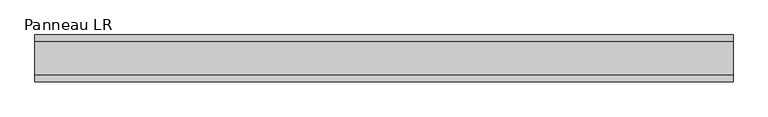
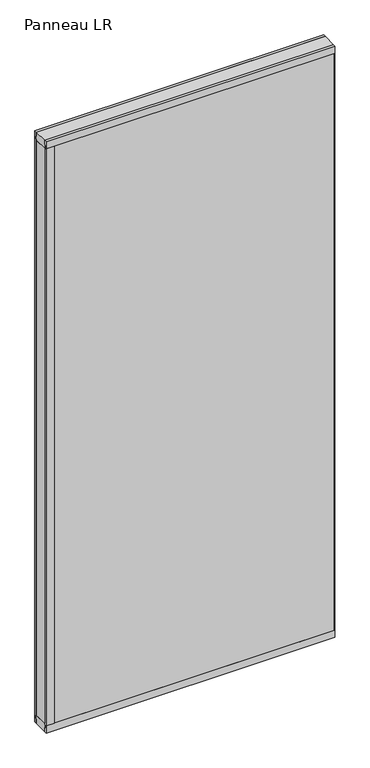
"""IFC4 building model written with IfcOpenShell, lengths in millimetres: plate geometry, Panneau LR."""

from ifc_helpers import new_model, si_unit, frame, origin, origin_with_axes, place, context, project, spatial, polyline, outline, extrude, source, transform, mapped, element, save


def panneau_lr_45b0845c(model_context):
    return source(origin(), model_context, "Body", "SweptSolid", [
        extrude(outline(polyline([(33.0, 2910.0), (45.0, 2910.0), (45.0, 2875.0), (43.8, 2875.0), (43.8, 2890.0), (33.0, 2890.0), (33.0, 2910.0)])), frame((-671.8750001, 0.0, 0.0), z_axis=(1.0, 0.0, 0.0), x_axis=(0.0, 1.0, 0.0)), (0.0, 0.0, 1.0), 1343.7500002),
        extrude(outline(polyline([(-45.0, 2875.0), (-45.0, 2910.0), (-33.0, 2910.0), (-33.0, 2890.0), (-43.8, 2890.0), (-43.8, 2875.0), (-45.0, 2875.0)])), frame((-671.8750001, 0.0, 0.0), z_axis=(1.0, 0.0, 0.0), x_axis=(0.0, 1.0, 0.0)), (0.0, 0.0, 1.0), 1343.7500002),
        extrude(outline(polyline([(-631.8750001, 33.0), (-631.8750001, -33.0), (-671.8750001, -33.0), (-671.8750001, 33.0), (-631.8750001, 33.0)])), frame((0.0, 0.0, 40.0), z_axis=(0.0, 0.0, 1.0), x_axis=(1.0, 0.0, 0.0)), (0.0, 0.0, 1.0), 2830.0),
        extrude(outline(polyline([(671.8750001, 43.8), (671.8750001, 37.8), (669.8750001, 37.8), (669.8750001, 43.8), (671.8750001, 43.8)])), frame((0.0, 0.0, 20.0), z_axis=(0.0, 0.0, 1.0), x_axis=(1.0, 0.0, 0.0)), (0.0, 0.0, 1.0), 2870.0),
        extrude(outline(polyline([(671.8750001, -37.8), (671.8750001, -43.8), (669.8750001, -43.8), (669.8750001, -37.8), (671.8750001, -37.8)])), frame((0.0, 0.0, 20.0), z_axis=(0.0, 0.0, 1.0), x_axis=(1.0, 0.0, 0.0)), (0.0, 0.0, 1.0), 2870.0),
        extrude(outline(polyline([(-671.8750001, 45.0), (-633.2750001, 45.0), (-633.2750001, 43.8), (-648.2750001, 43.8), (-648.2750001, 33.0), (-671.8750001, 33.0), (-671.8750001, 45.0)])), frame((0.0, 0.0, 35.0), z_axis=(0.0, 0.0, 1.0), x_axis=(1.0, 0.0, 0.0)), (0.0, 0.0, 1.0), 2840.0),
        extrude(outline(polyline([(-671.8750001, -45.0), (-671.8750001, -33.0), (-648.2750001, -33.0), (-648.2750001, -43.8), (-633.2750001, -43.8), (-633.2750001, -45.0), (-671.8750001, -45.0)])), frame((0.0, 0.0, 35.0), z_axis=(0.0, 0.0, 1.0), x_axis=(1.0, 0.0, 0.0)), (0.0, 0.0, 1.0), 2840.0),
        extrude(outline(polyline([(33.0, 0.0), (33.0, 20.0), (43.8, 20.0), (43.8, 35.0), (45.0, 35.0), (45.0, 0.0), (33.0, 0.0)])), frame((-671.8750001, 0.0, 0.0), z_axis=(1.0, 0.0, 0.0), x_axis=(0.0, 1.0, 0.0)), (0.0, 0.0, 1.0), 1343.7500002),
        extrude(outline(polyline([(-45.0, 35.0), (-43.8, 35.0), (-43.8, 20.0), (-33.0, 20.0), (-33.0, 0.0), (-45.0, 0.0), (-45.0, 35.0)])), frame((-671.8750001, 0.0, 0.0), z_axis=(1.0, 0.0, 0.0), x_axis=(0.0, 1.0, 0.0)), (0.0, 0.0, 1.0), 1343.7500002),
        extrude(outline(polyline([(671.8750001, -33.0), (-671.8750001, -33.0), (-671.8750001, 33.0), (671.8750001, 33.0), (671.8750001, -33.0)])), frame((0.0, 0.0, 2870.0), z_axis=(0.0, 0.0, 1.0), x_axis=(1.0, 0.0, 0.0)), (0.0, 0.0, 1.0), 40.0),
        extrude(outline(polyline([(671.8750001, -33.0), (-671.8750001, -33.0), (-671.8750001, 33.0), (671.8750001, 33.0), (671.8750001, -33.0)])), origin_with_axes(), (0.0, 0.0, 1.0), 40.0),
        extrude(outline(polyline([(669.8750001, 37.8), (-663.8750001, 37.8), (-663.8750001, 43.8), (669.8750001, 43.8), (669.8750001, 37.8)])), frame((0.0, 0.0, 20.0), z_axis=(0.0, 0.0, 1.0), x_axis=(1.0, 0.0, 0.0)), (0.0, 0.0, 1.0), 2870.0),
        extrude(outline(polyline([(-663.8750001, -43.8), (-663.8750001, -37.8), (669.8750001, -37.8), (669.8750001, -43.8), (-663.8750001, -43.8)])), frame((0.0, 0.0, 20.0), z_axis=(0.0, 0.0, 1.0), x_axis=(1.0, 0.0, 0.0)), (0.0, 0.0, 1.0), 2870.0),
    ])


if __name__ == "__main__":
    model = new_model("IFC4")
    model_context = context("Model", 3, world=origin())
    ifc_project = project(units=[si_unit("LENGTHUNIT", "METRE", prefix="MILLI")], contexts=[model_context])
    site = spatial("IfcSite", under=ifc_project)
    building = spatial("IfcBuilding", under=site)
    placement = place(None, origin())
    panneau_lr_shape = panneau_lr_45b0845c(model_context)
    element("IfcPlate", 1, ObjectType="Panneau LR", at=placement, inside=building, context=model_context, shape_type="MappedRepresentation", body=[
        mapped(panneau_lr_shape, transform((0.0, 0.0, 0.0), x_axis=(1.0, 0.0, 0.0), y_axis=(0.0, 1.0, 0.0), z_axis=(0.0, 0.0, 1.0))),
    ])
    save(model, "model.ifc")
